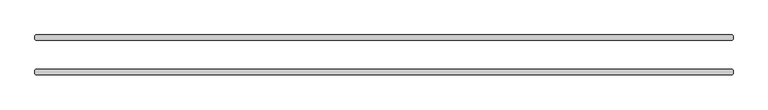
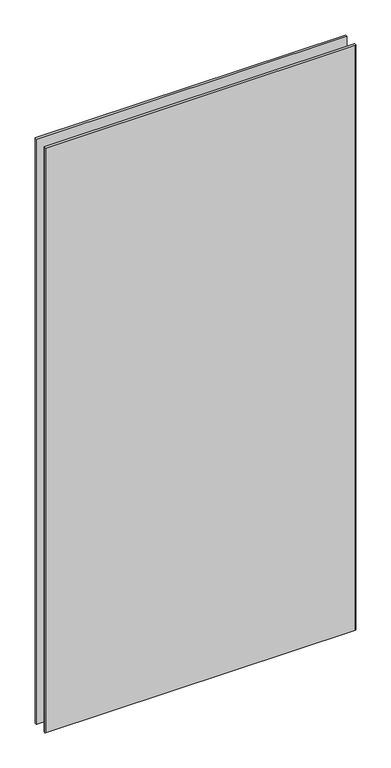
"""IFC4 building model written with IfcOpenShell, lengths in millimetres: plate geometry."""

from ifc_helpers import new_model, si_unit, origin, origin_with_axes, place, context, project, spatial, polyline, outline, extrude, source, transform, mapped, element, save


def plate_20020625(model_context):
    return source(origin(), model_context, "Body", "SweptSolid", [
        extrude(outline(polyline([(609.6, 25.4), (-609.6, 25.4), (-611.1875, 26.9875), (-611.1875, 33.3375), (-609.6, 34.925), (609.6, 34.925), (611.1875, 33.3375), (611.1875, 26.9875), (609.6, 25.4)])), origin_with_axes(), (0.0, 0.0, 1.0), 2428.7789267),
        extrude(outline(polyline([(609.6, -34.925), (-609.6, -34.925), (-611.1875, -33.3375), (-611.1875, -26.9875), (-609.6, -25.4), (609.6, -25.4), (611.1875, -26.9875), (611.1875, -33.3375), (609.6, -34.925)])), origin_with_axes(), (0.0, 0.0, 1.0), 2428.7789267),
    ])


if __name__ == "__main__":
    model = new_model("IFC4")
    model_context = context("Model", 3, world=origin())
    ifc_project = project(units=[si_unit("LENGTHUNIT", "METRE", prefix="MILLI")], contexts=[model_context])
    site = spatial("IfcSite", under=ifc_project)
    building = spatial("IfcBuilding", under=site)
    placement = place(None, origin())
    plate_shape = plate_20020625(model_context)
    element("IfcPlate", 1, at=placement, inside=building, context=model_context, shape_type="MappedRepresentation", body=[
        mapped(plate_shape, transform((0.0, 0.0, 0.0), x_axis=(1.0, 0.0, 0.0), y_axis=(0.0, 1.0, 0.0), z_axis=(0.0, 0.0, 1.0))),
    ])
    save(model, "model.ifc")
